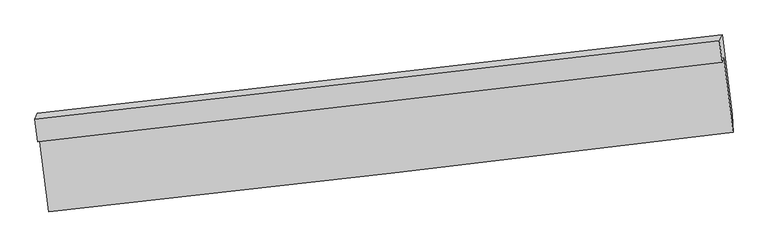
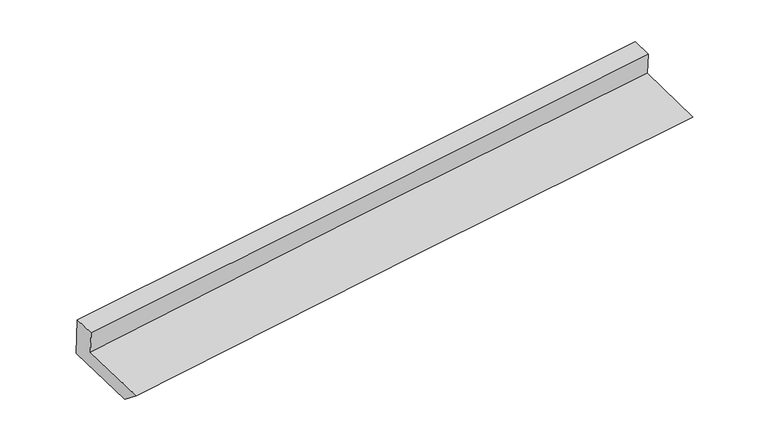
"""IFC4 building model written with IfcOpenShell, lengths in millimetres: proxy geometry."""

from ifc_helpers import new_model, si_unit, frame, origin, place, context, project, spatial, source, transform, mapped, element, save
from ifc_brep_helpers import plane_surface, spline_curve, spline_surface, advanced_brep


def generic_models_6e305a11(model_context):
    return source(origin(), model_context, "Body", "AdvancedBrep", [
        advanced_brep(
        [(-3020.9792583, -1863.6734911, 1739.0075908), (-2936.5113214, -2516.2239162, 1642.7365656), (3057.9662, -1817.7143134, 2083.2415083), (2974.7378407, -1163.5989933, 2180.6365709), (-3033.6405465, -1899.2920801, 1969.3308105), (2962.7301573, -1204.8059562, 2410.915017), (-3058.9390746, -1703.8502849, 1998.1644167), (2938.7630152, -1016.3074104, 2438.7480655), (-3036.4839603, -1649.2259581, 1603.5079704), (2961.723771, -964.9566838, 2042.1850696), (-2947.2301175, -2338.7495239, 1501.782283), (3049.9594433, -1658.9191038, 1939.71696)],
        [
            (0, 1),
            (1, 2, spline_curve(3, [(-2936.5113214, -2516.2239162, 1642.7365656), (-1937.727663065, -2405.840247665, 1729.213092552), (-938.804182421, -2292.440277336, 1809.159609475), (1059.354981941, -2059.603939828, 1955.995015787), (2058.590675594, -1940.167375551, 2022.883479816), (3057.9662, -1817.7143134, 2083.2415083)], [4, 2, 4], [0.0, 9.92763665547949, 19.855596855094934])),
            (2, 3),
            (3, 0, spline_curve(3, [(2974.7378407, -1163.5989933, 2180.6365709), (1974.735296111, -1282.978918579, 2120.858545102), (975.08279635, -1401.009351666, 2054.166405057), (-1023.489547097, -1634.367429397, 1906.95629451), (-2022.409413792, -1749.695162665, 1826.438774515), (-3020.9792583, -1863.6734911, 1739.0075908)], [4, 2, 4], [0.0, 9.927960199615443, 19.855596855094934])),
            (4, 0),
            (3, 5),
            (5, 4, spline_curve(3, [(2962.7301573, -1204.8059562, 2410.915017), (1963.694412823, -1322.184920245, 2334.744798225), (964.470836462, -1438.749175812, 2259.860426093), (-1034.319410658, -1670.244497004, 2112.665774623), (-2033.886068675, -1785.175616568, 2040.355411067), (-3033.6405465, -1899.2920801, 1969.3308105)], [4, 2, 4], [0.0, 9.928983544550622, 19.857643511615315])),
            (6, 4),
            (5, 7),
            (7, 6, spline_curve(3, [(2938.7630152, -1016.3074104, 2438.7480655), (1939.395483468, -1131.587883761, 2362.884130976), (939.895063464, -1246.524288047, 2288.236281346), (-1059.338975029, -1475.705223682, 2141.375144336), (-2059.072585106, -1589.949777694, 2069.161777881), (-3058.9390746, -1703.8502849, 1998.1644167)], [4, 2, 4], [0.0, 9.929320350447245, 19.85831711243233])),
            (8, 6),
            (7, 9),
            (9, 8, spline_curve(3, [(2961.723771, -964.9566838, 2042.1850696), (1962.06499266, -1081.636976865, 1972.60659171), (962.376813895, -1197.000471022, 1901.260303142), (-1037.025765313, -1425.090143089, 1755.034488387), (-2036.740163334, -1537.816407217, 1680.15507686), (-3036.4839603, -1649.2259581, 1603.5079704)], [4, 2, 4], [0.0, 9.92968113843122, 19.859038676642495])),
            (10, 8),
            (9, 11),
            (11, 10, spline_curve(3, [(3049.9594433, -1658.9191038, 1939.71696), (2050.636238743, -1776.369132305, 1870.037892536), (1051.200694211, -1891.747570907, 1798.703180669), (-947.862500159, -2118.357575915, 1652.724847427), (-1947.490142621, -2229.589277351, 1578.081333311), (-2947.2301175, -2338.7495239, 1501.782283)], [4, 2, 4], [0.0, 9.928421760638695, 19.85651996209954])),
            (1, 10),
            (11, 2),
        ],
        [
            spline_surface(3, 3, [[(-3020.9792583, -1863.6734911, 1739.0075908), (-2022.409413663, -1749.695162614, 1826.438774574), (-1023.489547129, -1634.367429518, 1906.956294432), (975.082796382, -1401.009351545, 2054.166405136), (1974.735296197, -1282.9789187, 2120.858545258), (2974.7378407, -1163.5989933, 2180.6365709)], [(-2992.823279319, -2081.190299479, 1706.917249088), (-1994.182163441, -1968.410190946, 1794.030213887), (-995.261092293, -1853.725045477, 1874.357399417), (1003.173524944, -1620.54088094, 2021.442608724), (2002.687089306, -1502.041737688, 2088.200190113), (3002.480627161, -1381.637433339, 2148.171550007)], [(-2964.667300381, -2298.707107821, 1674.826907312), (-1965.954913261, -2187.125219239, 1761.621653134), (-967.032637421, -2073.082661455, 1841.758504389), (1031.264253543, -1840.072410355, 1988.7188123), (2030.638882333, -1721.10455666, 2055.541835049), (3030.223413539, -1599.675873361, 2115.706529193)], [(-2936.5113214, -2516.2239162, 1642.7365656), (-1937.727663039, -2405.840247571, 1729.213092447), (-938.804182586, -2292.440277414, 1809.159609374), (1059.354982106, -2059.603939751, 1955.995015888), (2058.590675442, -1940.167375649, 2022.883479905), (3057.9662, -1817.7143134, 2083.2415083)]], [4, 4], [4, 2, 4], [0.0, 2.2011986676956012], [0.0, 9.92763665547949, 19.855596855094934]),
            spline_surface(3, 3, [[(-3033.6405465, -1899.2920801, 1969.3308105), (-2033.886068628, -1785.175616419, 2040.355410937), (-1034.319410521, -1670.244497158, 2112.665774516), (964.470836325, -1438.749175658, 2259.8604262), (1963.69441281, -1322.18492022, 2334.744798137), (2962.7301573, -1204.8059562, 2410.915017)], [(-3029.420117096, -1887.419217109, 1892.556403901), (-2030.060516969, -1773.348798493, 1969.049865451), (-1030.709456051, -1658.285474588, 2044.095947817), (968.00815635, -1426.169234264, 2191.295752507), (1967.374707264, -1309.116253026, 2263.449380514), (2966.732718424, -1191.07030188, 2334.15553497)], [(-3025.199687704, -1875.546354091, 1815.781997399), (-2026.234965322, -1761.521980539, 1897.74432006), (-1027.099501599, -1646.326452088, 1975.526121132), (971.545476357, -1413.589292939, 2122.731078829), (1971.055001743, -1296.047585893, 2192.153962881), (2970.735279576, -1177.33464762, 2257.39605293)], [(-3020.9792583, -1863.6734911, 1739.0075908), (-2022.409413663, -1749.695162614, 1826.438774574), (-1023.489547129, -1634.367429518, 1906.956294432), (975.082796382, -1401.009351545, 2054.166405136), (1974.735296197, -1282.9789187, 2120.858545258), (2974.7378407, -1163.5989933, 2180.6365709)]], [4, 4], [4, 2, 4], [0.0, 0.6864957522119889], [0.0, 9.928659967064693, 19.857643511615315]),
            spline_surface(3, 3, [[(-3058.9390746, -1703.8502849, 1998.1644167), (-2059.072585161, -1589.949777654, 2069.161777796), (-1059.338975075, -1475.705223732, 2141.37514435), (939.895063511, -1246.524287997, 2288.236281331), (1939.395483375, -1131.58788374, 2362.884131093), (2938.7630152, -1016.3074104, 2438.7480655)], [(-3050.506231919, -1768.997549951, 1988.553214639), (-2050.677079669, -1655.025057227, 2059.559655515), (-1050.999120221, -1540.551648229, 2131.805354398), (948.086987786, -1310.599250572, 2278.777662947), (1947.495126514, -1195.120229246, 2353.504353462), (2946.75206256, -1079.140259012, 2429.470382688)], [(-3042.073389181, -1834.144815049, 1978.942012561), (-2042.281574119, -1720.100336846, 2049.957533218), (-1042.659265376, -1605.398072662, 2122.235564468), (956.27891205, -1374.674213083, 2269.319044584), (1955.594769672, -1258.652574714, 2344.124575768), (2954.74110994, -1141.973107588, 2420.192699812)], [(-3033.6405465, -1899.2920801, 1969.3308105), (-2033.886068628, -1785.175616419, 2040.355410937), (-1034.319410521, -1670.244497158, 2112.665774516), (964.470836325, -1438.749175658, 2259.8604262), (1963.69441281, -1322.18492022, 2334.744798137), (2962.7301573, -1204.8059562, 2410.915017)]], [4, 4], [4, 2, 4], [0.0, 0.6464688256666444], [0.0, 9.928996761985086, 19.85831711243233]),
            spline_surface(3, 3, [[(-3036.4839603, -1649.2259581, 1603.5079704), (-2036.740163445, -1537.816407374, 1680.155076965), (-1037.02576521, -1425.090143201, 1755.034488287), (962.376813791, -1197.00047091, 1901.260303242), (1962.064992686, -1081.636977016, 1972.606591652), (2961.723771, -964.9566838, 2042.1850696)], [(-3043.96899839, -1667.434067017, 1735.060119184), (-2044.184304007, -1555.194197451, 1809.823977259), (-1044.463501814, -1441.961836719, 1883.814706975), (954.882897049, -1213.508409946, 2030.252295939), (1954.508489599, -1098.287279263, 2102.699104791), (2954.07018575, -982.073592672, 2174.372734892)], [(-3051.45403651, -1685.642175983, 1866.612267916), (-2051.628444599, -1572.571987577, 1939.492877502), (-1051.901238471, -1458.833530215, 2012.594925662), (947.388980253, -1230.01634896, 2159.244288634), (1946.951986463, -1114.937581493, 2232.791617954), (2946.41660045, -999.190501528, 2306.560400208)], [(-3058.9390746, -1703.8502849, 1998.1644167), (-2059.072585161, -1589.949777654, 2069.161777796), (-1059.338975075, -1475.705223732, 2141.37514435), (939.895063511, -1246.524287997, 2288.236281331), (1939.395483375, -1131.58788374, 2362.884131093), (2938.7630152, -1016.3074104, 2438.7480655)]], [4, 4], [4, 2, 4], [0.0, 1.28126462500636], [0.0, 9.929357538211274, 19.859038676642495]),
            spline_surface(3, 3, [[(-2947.2301175, -2338.7495239, 1501.782283), (-1947.490142551, -2229.589277304, 1578.081333344), (-947.862500092, -2118.357575915, 1652.724847262), (1051.200694143, -1891.747570907, 1798.703180834), (2050.636238658, -1776.369132254, 1870.037892593), (3049.9594433, -1658.9191038, 1939.71696)], [(-2976.981398438, -2108.908335306, 1535.690845452), (-1977.240149521, -1998.998320667, 1612.105914537), (-977.583588474, -1887.268431659, 1686.828060938), (1021.592734016, -1660.165204223, 1832.888888304), (2021.112490002, -1544.79174716, 1904.227458938), (3020.547552534, -1427.598297119, 1973.872996525)], [(-3006.732679362, -1879.067146694, 1569.599407948), (-2006.990156475, -1768.407364011, 1646.130495773), (-1007.304676828, -1656.179287457, 1720.931274611), (991.984773918, -1428.582837594, 1867.074595772), (1991.588741343, -1313.21436211, 1938.417025307), (2991.135661766, -1196.277490481, 2008.029033075)], [(-3036.4839603, -1649.2259581, 1603.5079704), (-2036.740163445, -1537.816407374, 1680.155076965), (-1037.02576521, -1425.090143201, 1755.034488287), (962.376813791, -1197.00047091, 1901.260303242), (1962.064992686, -1081.636977016, 1972.606591652), (2961.723771, -964.9566838, 2042.1850696)]], [4, 4], [4, 2, 4], [0.0, 2.3200400171017637], [0.0, 9.928098201460845, 19.85651996209954]),
            spline_surface(3, 3, [[(-2936.5113214, -2516.2239162, 1642.7365656), (-1937.727663039, -2405.840247571, 1729.213092447), (-938.804182586, -2292.440277414, 1809.159609374), (1059.354982106, -2059.603939751, 1955.995015888), (2058.590675442, -1940.167375649, 2022.883479905), (3057.9662, -1817.7143134, 2083.2415083)], [(-2940.084253436, -2457.065785437, 1595.751804736), (-1940.981822879, -2347.089924152, 1678.835839415), (-941.82362176, -2234.412710267, 1757.014688677), (1056.636886112, -2003.651816822, 1903.56440421), (2055.939196485, -1885.567961195, 1971.93495082), (3055.297281071, -1764.782576878, 2035.399992219)], [(-2943.657185464, -2397.907654663, 1548.767043864), (-1944.235982711, -2288.339600723, 1628.458586376), (-944.843060917, -2176.385143062, 1704.869767959), (1053.918790136, -1947.699693835, 1851.133792512), (2053.287717615, -1830.968546707, 1920.986421678), (3052.628362229, -1711.850840322, 1987.558476081)], [(-2947.2301175, -2338.7495239, 1501.782283), (-1947.490142551, -2229.589277304, 1578.081333344), (-947.862500092, -2118.357575915, 1652.724847262), (1051.200694143, -1891.747570907, 1798.703180834), (2050.636238658, -1776.369132254, 1870.037892593), (3049.9594433, -1658.9191038, 1939.71696)]], [4, 4], [4, 2, 4], [0.0, 0.7617677459240216], [0.0, 9.926577868601504, 19.853479246832833]),
            plane_surface(frame((2990.9800712, -1304.3837435, 2182.5738652), z_axis=(0.9906978445744407, 0.11529082027598656, 0.07228974696074159), x_axis=(-0.05732557121006862, -0.12820613429391975, 0.990089372741092))),
            plane_surface(frame((-3005.6307131, -1995.1692091, 1742.4216062), z_axis=(-0.9904157830035991, -0.11748935856062678, -0.07261423691246913), x_axis=(-0.12701945404783702, 0.9812788347945459, 0.14476845884945974))),
        ],
        [
            (0, [[1, 2, 3, 4]]),
            (1, [[5, -4, 6, 7]]),
            (2, [[8, -7, 9, 10]]),
            (3, [[11, -10, 12, 13]]),
            (4, [[14, -13, 15, 16]]),
            (5, [[17, -16, 18, -2]]),
            (6, [[-12, -9, -6, -3, -18, -15]]),
            (7, [[-1, -5, -8, -11, -14, -17]]),
        ],
    ),
    ])


if __name__ == "__main__":
    model = new_model("IFC4")
    model_context = context("Model", 3, world=origin())
    ifc_project = project(units=[si_unit("LENGTHUNIT", "METRE", prefix="MILLI")], contexts=[model_context])
    site = spatial("IfcSite", under=ifc_project)
    building = spatial("IfcBuilding", under=site)
    placement = place(None, origin())
    generic_models_shape = generic_models_6e305a11(model_context)
    element("IfcBuildingElementProxy", 1, Name="Generic Models", at=placement, inside=building, context=model_context, shape_type="MappedRepresentation", body=[
        mapped(generic_models_shape, transform((0.0, 0.0, 0.0), x_axis=(1.0, 0.0, 0.0), y_axis=(0.0, 1.0, 0.0), z_axis=(0.0, 0.0, 1.0))),
    ])
    save(model, "model.ifc")
